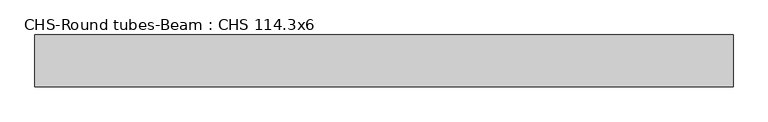
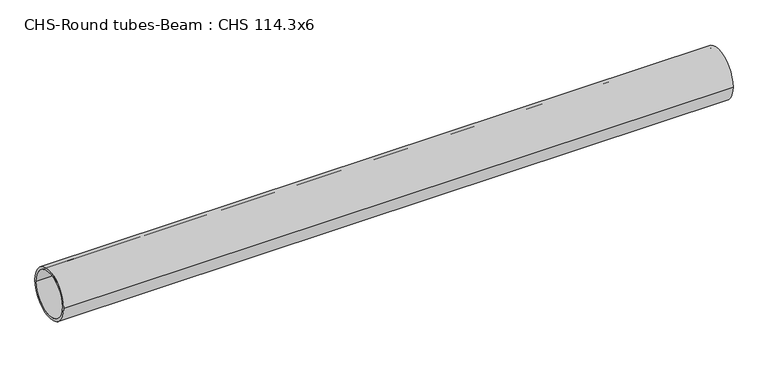
"""IFC4 building model written with IfcOpenShell, lengths in millimetres: beam geometry, CHS-Round tubes-Beam : CHS 114.3x6."""

from ifc_helpers import new_model, si_unit, point, frame, origin, origin_2d, place, context, project, spatial, circle_curve, trimmed, segment, composite_curve, outline, extrude, source, transform, mapped, element, save


def chs_round_tubes_beam_chs_114_3x6_ec095c93(model_context):
    return source(origin(), model_context, "Body", "SweptSolid", [
        extrude(outline(composite_curve([segment(trimmed(circle_curve(origin_2d(), 57.15), [point((57.15, 0.0))], [point((-57.15, 0.0))], False, "CARTESIAN"), True, "CONTINUOUS"), segment(trimmed(circle_curve(origin_2d(), 57.15), [point((-57.15, 0.0))], [point((57.15, 0.0))], False, "CARTESIAN"), True, "CONTINUOUS")], self_intersect=False), holes=[composite_curve([segment(trimmed(circle_curve(origin_2d(), 51.15), [point((51.15, 0.0))], [point((-51.15, 0.0))], True, "CARTESIAN"), True, "CONTINUOUS"), segment(trimmed(circle_curve(origin_2d(), 51.15), [point((-51.15, 0.0))], [point((51.15, 0.0))], True, "CARTESIAN"), True, "CONTINUOUS")], self_intersect=False)]), frame((-756.8305436, 0.0, 0.0), z_axis=(1.0, 0.0, 0.0), x_axis=(0.0, 1.0, 0.0)), (0.0, 0.0, 1.0), 1532.4782984),
    ])


if __name__ == "__main__":
    model = new_model("IFC4")
    model_context = context("Model", 3, world=origin())
    ifc_project = project(units=[si_unit("LENGTHUNIT", "METRE", prefix="MILLI")], contexts=[model_context])
    site = spatial("IfcSite", under=ifc_project)
    building = spatial("IfcBuilding", under=site)
    placement = place(None, origin())
    chs_round_tubes_beam_chs_114_3x6_shape = chs_round_tubes_beam_chs_114_3x6_ec095c93(model_context)
    element("IfcBeam", 1, ObjectType="CHS-Round tubes-Beam : CHS 114.3x6", at=placement, inside=building, context=model_context, shape_type="MappedRepresentation", body=[
        mapped(chs_round_tubes_beam_chs_114_3x6_shape, transform((0.0, 0.0, 0.0), x_axis=(1.0, 0.0, 0.0), y_axis=(0.0, 1.0, 0.0), z_axis=(0.0, 0.0, 1.0))),
    ])
    save(model, "model.ifc")
